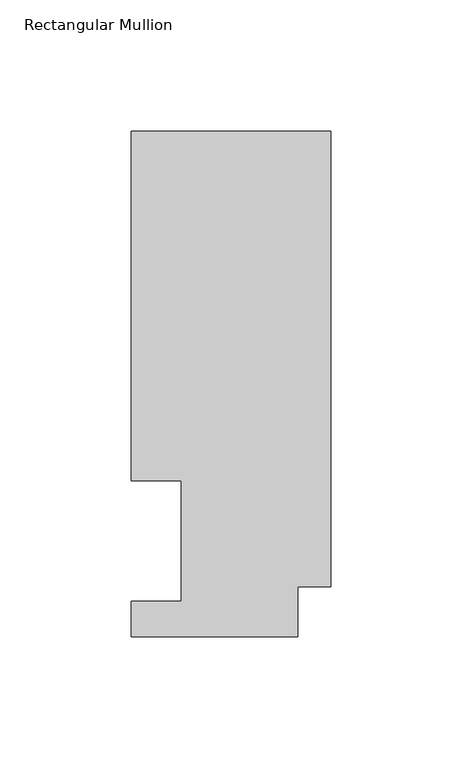
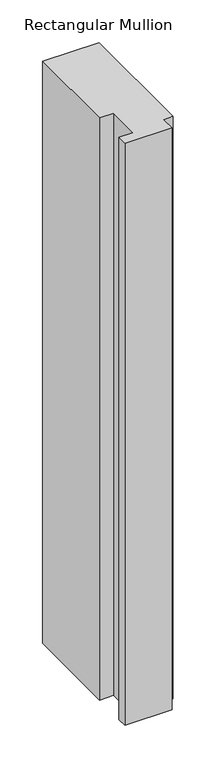
"""IFC4 building model written with IfcOpenShell, lengths in millimetres: member geometry, Rectangular Mullion."""

from ifc_helpers import new_model, si_unit, frame, origin, place, context, project, spatial, polyline, outline, extrude, source, transform, mapped, element, save


def rectangular_mullion_01a89b76(model_context):
    return source(origin(), model_context, "Body", "SweptSolid", [
        extrude(outline(polyline([(0.0, 192.88125), (0.0, 19.04365), (-12.7, 19.04365), (-12.7, 0.04445), (-76.2, 0.04445), (-76.2, 13.50645), (-57.15, 13.50645), (-57.15, 59.53125), (-76.2, 59.53125), (-76.2, 192.88125), (0.0, 192.88125)])), frame((0.0, 0.0, -831.85), z_axis=(0.0, 0.0, 1.0), x_axis=(1.0, 0.0, 0.0)), (0.0, 0.0, 1.0), 831.85),
    ])


if __name__ == "__main__":
    model = new_model("IFC4")
    model_context = context("Model", 3, world=origin())
    ifc_project = project(units=[si_unit("LENGTHUNIT", "METRE", prefix="MILLI")], contexts=[model_context])
    site = spatial("IfcSite", under=ifc_project)
    building = spatial("IfcBuilding", under=site)
    placement = place(None, origin())
    rectangular_mullion_shape = rectangular_mullion_01a89b76(model_context)
    element("IfcMember", 1, ObjectType="Rectangular Mullion", at=placement, inside=building, context=model_context, shape_type="MappedRepresentation", body=[
        mapped(rectangular_mullion_shape, transform((0.0, 0.0, 0.0), x_axis=(1.0, 0.0, 0.0), y_axis=(0.0, 1.0, 0.0), z_axis=(0.0, 0.0, 1.0))),
    ])
    save(model, "model.ifc")
